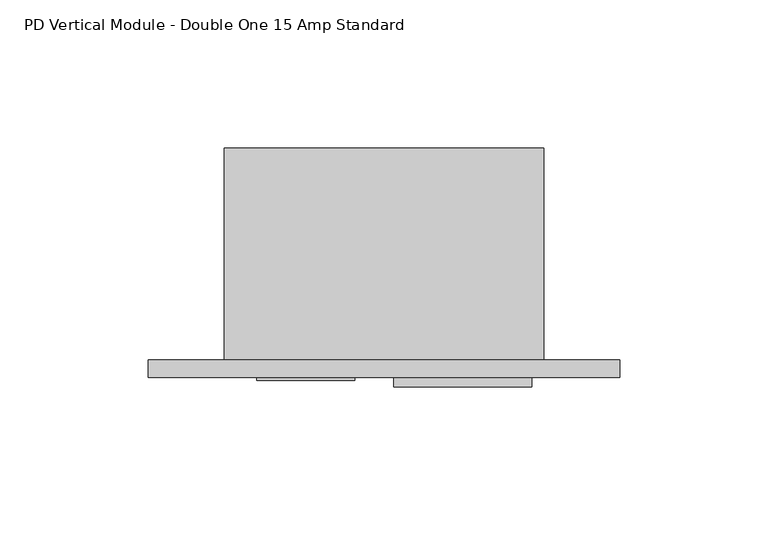
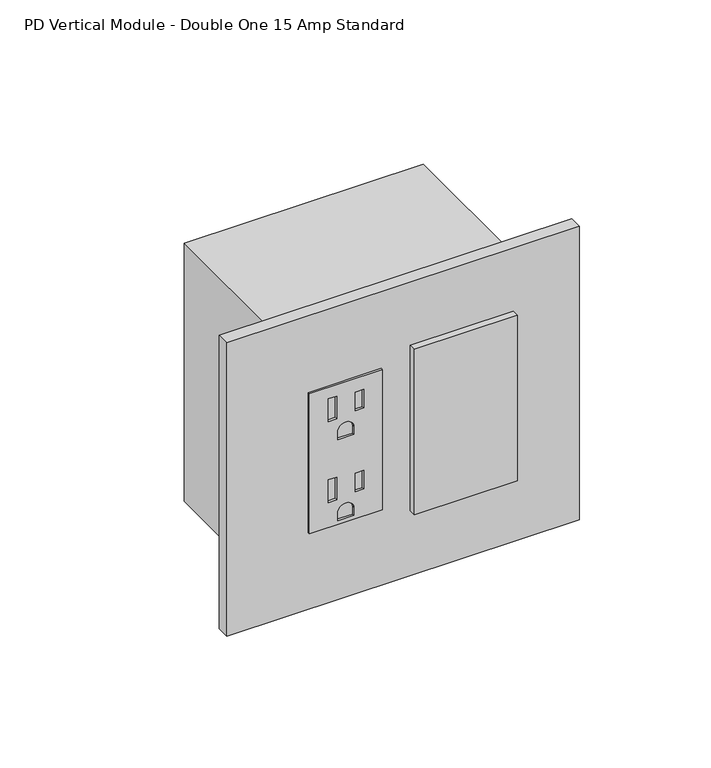
"""IFC4 building model written with IfcOpenShell, lengths in millimetres: proxy geometry, PD Vertical Module - Double One 15 Amp Standard."""

from ifc_helpers import new_model, si_unit, point, frame, frame_2d, origin, place, context, project, spatial, polyline, circle_curve, trimmed, segment, composite_curve, outline, extrude, source, transform, mapped, element, save


def pd_vertical_module_double_one_15_amp_standard_ac9b215e(model_context):
    return source(origin(), model_context, "Body", "SweptSolid", [
        extrude(outline(polyline([(414.3876229, 44.0944), (414.3876229, 11.0998), (347.4332229, 11.0998), (347.4332229, 44.0944), (414.3876229, 44.0944)]), holes=[polyline([(409.0028229, 23.4442), (398.1824229, 23.4442), (398.1824229, 19.6088), (409.0028229, 19.6088), (409.0028229, 23.4442)]), polyline([(408.0249229, 35.6108), (399.1603229, 35.6108), (399.1603229, 31.7754), (408.0249229, 31.7754), (408.0249229, 35.6108)]), composite_curve([segment(polyline([(387.9970229, 31.2293), (387.9970229, 23.9649), (391.6292229, 23.9649)]), True, "CONTINUOUS"), segment(trimmed(circle_curve(frame_2d((391.6292229, 27.5971)), 3.6322), [point((391.6292229, 23.9649))], [point((391.6292229, 31.2293))], True, "CARTESIAN"), True, "CONTINUOUS"), segment(polyline([(391.6292229, 31.2293), (387.9970229, 31.2293)]), True, "CONTINUOUS")], self_intersect=False), polyline([(370.2678229, 23.4442), (359.4474229, 23.4442), (359.4474229, 19.6088), (370.2678229, 19.6088), (370.2678229, 23.4442)]), polyline([(369.2899229, 35.6108), (360.4253229, 35.6108), (360.4253229, 31.7754), (369.2899229, 31.7754), (369.2899229, 35.6108)]), composite_curve([segment(polyline([(349.2620229, 31.2293), (349.2620229, 23.9649), (352.8942229, 23.9649)]), True, "CONTINUOUS"), segment(trimmed(circle_curve(frame_2d((352.8942229, 27.5971)), 3.6322), [point((352.8942229, 23.9649))], [point((352.8942229, 31.2293))], True, "CARTESIAN"), True, "CONTINUOUS"), segment(polyline([(352.8942229, 31.2293), (349.2620229, 31.2293)]), True, "CONTINUOUS")], self_intersect=False)]), frame((0.0, -6.9294746, 0.0), z_axis=(0.0, 1.0, 0.0), x_axis=(0.0, 0.0, 1.0)), (0.0, 0.0, 1.0), 1.0366746),
        extrude(outline(polyline([(57.3278, -5.8928), (103.8606, -5.8928), (103.8606, -9.0678), (57.3278, -9.0678), (57.3278, -5.8928)])), frame((0.0, 0.0, 341.7026971), z_axis=(0.0, 0.0, 1.0), x_axis=(1.0, 0.0, 0.0)), (0.0, 0.0, 1.0), 79.0448),
        extrude(outline(polyline([(-25.6794, 0.0), (133.7056, 0.0), (133.7056, -5.8928), (-25.6794, -5.8928), (-25.6794, 0.0)])), frame((0.0, 0.0, 310.7302229), z_axis=(0.0, 0.0, 1.0), x_axis=(1.0, 0.0, 0.0)), (0.0, 0.0, 1.0), 140.3604),
        extrude(outline(polyline([(108.0262, 0.0), (0.0, 0.0), (0.0, 71.7296), (108.0262, 71.7296), (108.0262, 0.0)])), frame((0.0, 0.0, 319.1630229), z_axis=(0.0, 0.0, 1.0), x_axis=(1.0, 0.0, 0.0)), (0.0, 0.0, 1.0), 123.4948),
    ])


if __name__ == "__main__":
    model = new_model("IFC4")
    model_context = context("Model", 3, world=origin())
    ifc_project = project(units=[si_unit("LENGTHUNIT", "METRE", prefix="MILLI")], contexts=[model_context])
    site = spatial("IfcSite", under=ifc_project)
    building = spatial("IfcBuilding", under=site)
    placement = place(None, origin())
    pd_vertical_module_double_one_15_amp_standard_shape = pd_vertical_module_double_one_15_amp_standard_ac9b215e(model_context)
    element("IfcBuildingElementProxy", 1, Name="PD Vertical Module - Double One 15 Amp Standard", ObjectType="PD Vertical Module - Double One 15 Amp Standard", at=placement, inside=building, context=model_context, shape_type="MappedRepresentation", body=[
        mapped(pd_vertical_module_double_one_15_amp_standard_shape, transform((0.0, 0.0, 0.0), x_axis=(1.0, 0.0, 0.0), y_axis=(0.0, 1.0, 0.0), z_axis=(0.0, 0.0, 1.0))),
    ])
    save(model, "model.ifc")
